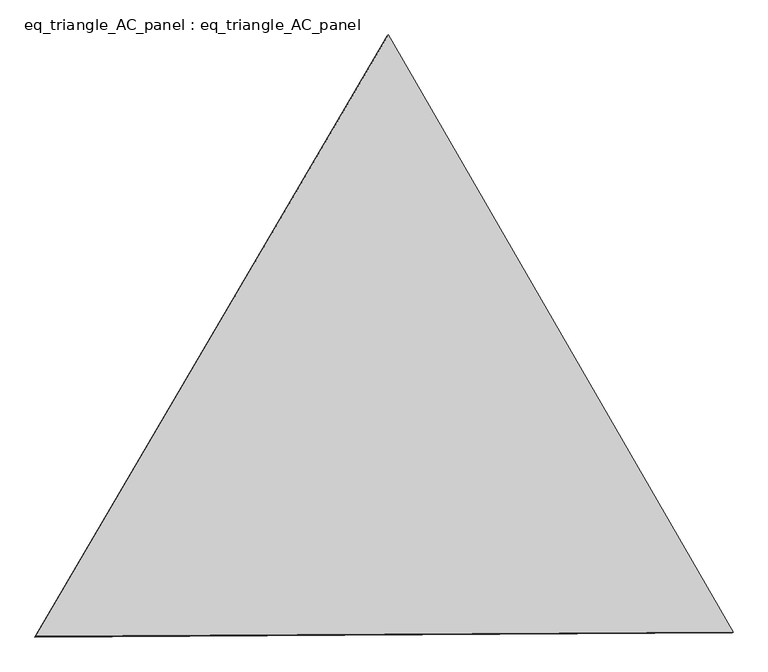
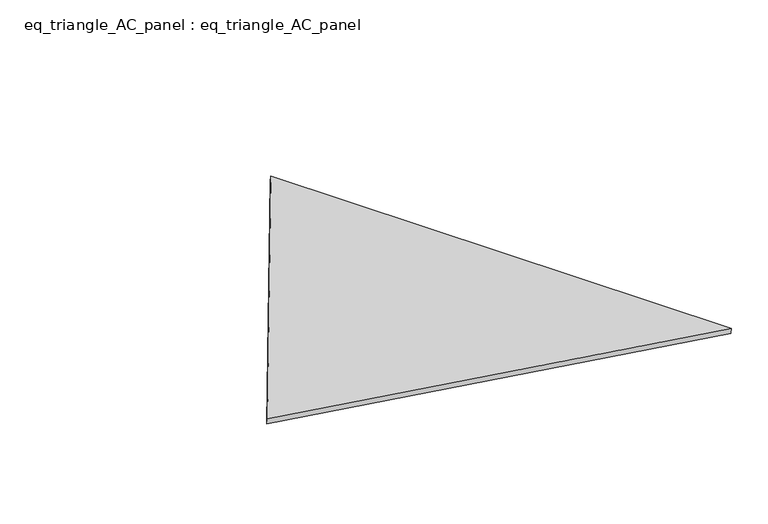
"""IFC4 building model written with IfcOpenShell, lengths in millimetres: proxy geometry, eq_triangle_AC_panel : eq_triangle_AC_panel."""

from ifc_helpers import new_model, si_unit, frame, origin, place, context, project, spatial, polyline, outline, extrude, source, transform, mapped, element, save


def eq_triangle_ac_panel_eq_triangle_ac_panel_e18003fd(model_context):
    return source(origin(), model_context, "Body", "SweptSolid", [
        extrude(outline(polyline([(-2017.7410617, 1198.9367817), (2017.7410616, 1198.9367817), (-1e-07, -2397.8735635), (-2017.7410617, 1198.9367817)])), frame((0.0038051, 527.9290861, 89.8240019), z_axis=(0.14526328517637505, 0.08386570281559289, 0.9858321976234161), x_axis=(0.5000027697418414, -0.8660238046640549, -2.383668140962144e-06)), (0.0, 0.0, 1.0), 43.8306294),
    ])


if __name__ == "__main__":
    model = new_model("IFC4")
    model_context = context("Model", 3, world=origin())
    ifc_project = project(units=[si_unit("LENGTHUNIT", "METRE", prefix="MILLI")], contexts=[model_context])
    site = spatial("IfcSite", under=ifc_project)
    building = spatial("IfcBuilding", under=site)
    placement = place(None, origin())
    eq_triangle_ac_panel_eq_triangle_ac_panel_shape = eq_triangle_ac_panel_eq_triangle_ac_panel_e18003fd(model_context)
    element("IfcBuildingElementProxy", 1, Name="eq_triangle_AC_panel : eq_triangle_AC_panel", ObjectType="eq_triangle_AC_panel : eq_triangle_AC_panel", at=placement, inside=building, context=model_context, shape_type="MappedRepresentation", body=[
        mapped(eq_triangle_ac_panel_eq_triangle_ac_panel_shape, transform((0.0, 0.0, 0.0), x_axis=(1.0, 0.0, 0.0), y_axis=(0.0, 1.0, 0.0), z_axis=(0.0, 0.0, 1.0))),
    ])
    save(model, "model.ifc")
